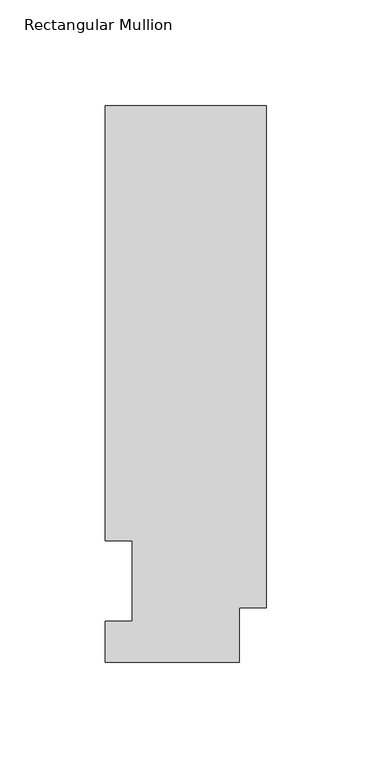
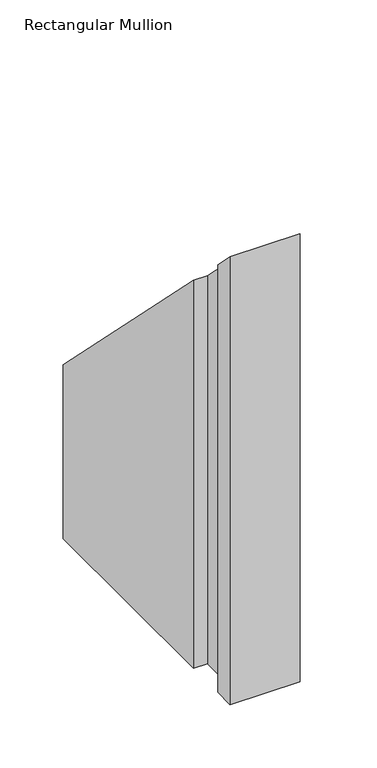
"""IFC4 building model written with IfcOpenShell, lengths in millimetres: member geometry, Rectangular Mullion."""

from ifc_helpers import new_model, si_unit, origin, place, context, project, spatial, faceted_brep, source, transform, mapped, element, save


def rectangular_mullion_63afb85b(model_context):
    return source(origin(), model_context, "Body", "Brep", [
        faceted_brep([(0.0, 25.8960937, -431.8), (-12.7, 25.8960937, -431.8), (-12.7, 0.0134938, -431.8), (-76.2, 0.0134938, -431.8), (-76.2, 19.5460938, -431.8), (-63.5127, 19.5460938, -431.8), (-63.5127, 57.6460937, -431.8), (-76.2, 57.6460938, -431.8), (-76.2, 264.0210938, -431.8), (0.0, 264.0210938, -431.8), (0.0, 264.0210938, -264.0210938), (0.0, 25.8960937, -25.8960937), (-76.2, 264.0210938, -264.0210938), (-76.2, 57.6460938, -57.6460938), (-63.5127, 57.6460938, -57.6460938), (-63.5127, 19.5460938, -19.5460938), (-76.2, 19.5460938, -19.5460938), (-76.2, 0.0134938, -0.0134938), (-12.7, 0.0134938, -0.0134938), (-12.7, 25.8960937, -25.8960937)], [[[0, 1, 2, 3, 4, 5, 6, 7, 8, 9]], [[10, 11, 0, 9]], [[12, 10, 9, 8]], [[13, 12, 8, 7]], [[14, 13, 7, 6]], [[15, 14, 6, 5]], [[16, 15, 5, 4]], [[17, 16, 4, 3]], [[18, 17, 3, 2]], [[19, 18, 2, 1]], [[11, 19, 1, 0]], [[11, 10, 12, 13, 14, 15, 16, 17, 18, 19]]]),
    ])


if __name__ == "__main__":
    model = new_model("IFC4")
    model_context = context("Model", 3, world=origin())
    ifc_project = project(units=[si_unit("LENGTHUNIT", "METRE", prefix="MILLI")], contexts=[model_context])
    site = spatial("IfcSite", under=ifc_project)
    building = spatial("IfcBuilding", under=site)
    placement = place(None, origin())
    rectangular_mullion_shape = rectangular_mullion_63afb85b(model_context)
    element("IfcMember", 1, ObjectType="Rectangular Mullion", at=placement, inside=building, context=model_context, shape_type="MappedRepresentation", body=[
        mapped(rectangular_mullion_shape, transform((0.0, 0.0, 0.0), x_axis=(1.0, 0.0, 0.0), y_axis=(0.0, 1.0, 0.0), z_axis=(0.0, 0.0, 1.0))),
    ])
    save(model, "model.ifc")
